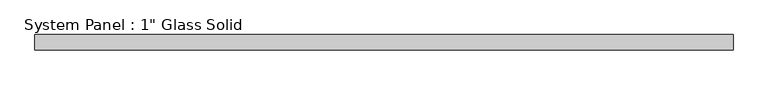
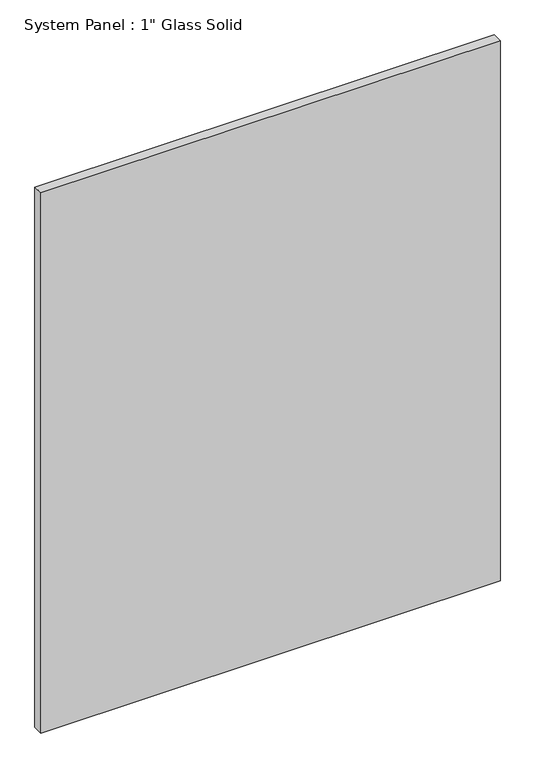
"""IFC4 building model written with IfcOpenShell, lengths in millimetres: plate geometry."""

from ifc_helpers import new_model, si_unit, origin, origin_with_axes, place, context, project, spatial, polyline, outline, extrude, source, transform, mapped, element, save


def plate_7412e97b(model_context):
    return source(origin(), model_context, "Body", "SweptSolid", [
        extrude(outline(polyline([(584.2008852, -12.7), (-584.2008852, -12.7), (-584.2008852, 12.7), (584.2008852, 12.7), (584.2008852, -12.7)])), origin_with_axes(), (0.0, 0.0, 1.0), 1452.8817704),
    ])


if __name__ == "__main__":
    model = new_model("IFC4")
    model_context = context("Model", 3, world=origin())
    ifc_project = project(units=[si_unit("LENGTHUNIT", "METRE", prefix="MILLI")], contexts=[model_context])
    site = spatial("IfcSite", under=ifc_project)
    building = spatial("IfcBuilding", under=site)
    placement = place(None, origin())
    plate_shape = plate_7412e97b(model_context)
    element("IfcPlate", 1, ObjectType="System Panel : 1\" Glass Solid", at=placement, inside=building, context=model_context, shape_type="MappedRepresentation", body=[
        mapped(plate_shape, transform((0.0, 0.0, 0.0), x_axis=(1.0, 0.0, 0.0), y_axis=(0.0, 1.0, 0.0), z_axis=(0.0, 0.0, 1.0))),
    ])
    save(model, "model.ifc")
